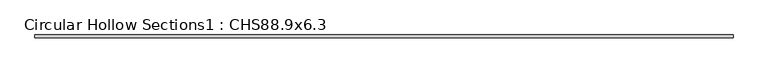
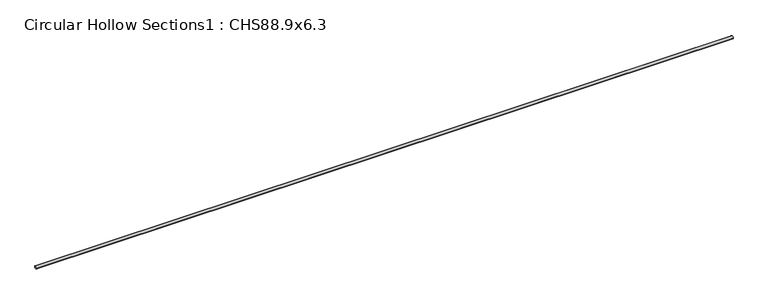
"""IFC4 building model written with IfcOpenShell, lengths in millimetres: beam geometry, Circular Hollow Sections1 : CHS88.9x6.3."""

from ifc_helpers import new_model, si_unit, point, frame, origin, origin_2d, place, context, project, spatial, circle_curve, trimmed, segment, composite_curve, outline, extrude, source, transform, mapped, element, save


def circular_hollow_sections1_chs88_9x6_3_c6f8e103(model_context):
    return source(origin(), model_context, "Body", "SweptSolid", [
        extrude(outline(composite_curve([segment(trimmed(circle_curve(origin_2d(), 44.45), [point((-44.45, 0.0))], [point((44.45, 0.0))], False, "CARTESIAN"), True, "CONTINUOUS"), segment(trimmed(circle_curve(origin_2d(), 44.45), [point((44.45, 0.0))], [point((-44.45, 0.0))], False, "CARTESIAN"), True, "CONTINUOUS")], self_intersect=False), holes=[composite_curve([segment(trimmed(circle_curve(origin_2d(), 38.15), [point((38.15, 0.0))], [point((-38.15, 0.0))], True, "CARTESIAN"), True, "CONTINUOUS"), segment(trimmed(circle_curve(origin_2d(), 38.15), [point((-38.15, 0.0))], [point((38.15, 0.0))], True, "CARTESIAN"), True, "CONTINUOUS")], self_intersect=False)]), frame((-10303.15, 0.0, 0.0), z_axis=(1.0, 0.0, 0.0), x_axis=(0.0, 1.0, 0.0)), (0.0, 0.0, 1.0), 20606.3),
    ])


if __name__ == "__main__":
    model = new_model("IFC4")
    model_context = context("Model", 3, world=origin())
    ifc_project = project(units=[si_unit("LENGTHUNIT", "METRE", prefix="MILLI")], contexts=[model_context])
    site = spatial("IfcSite", under=ifc_project)
    building = spatial("IfcBuilding", under=site)
    placement = place(None, origin())
    circular_hollow_sections1_chs88_9x6_3_shape = circular_hollow_sections1_chs88_9x6_3_c6f8e103(model_context)
    element("IfcBeam", 1, ObjectType="Circular Hollow Sections1 : CHS88.9x6.3", at=placement, inside=building, context=model_context, shape_type="MappedRepresentation", body=[
        mapped(circular_hollow_sections1_chs88_9x6_3_shape, transform((0.0, 0.0, 0.0), x_axis=(1.0, 0.0, 0.0), y_axis=(0.0, 1.0, 0.0), z_axis=(0.0, 0.0, 1.0))),
    ])
    save(model, "model.ifc")
